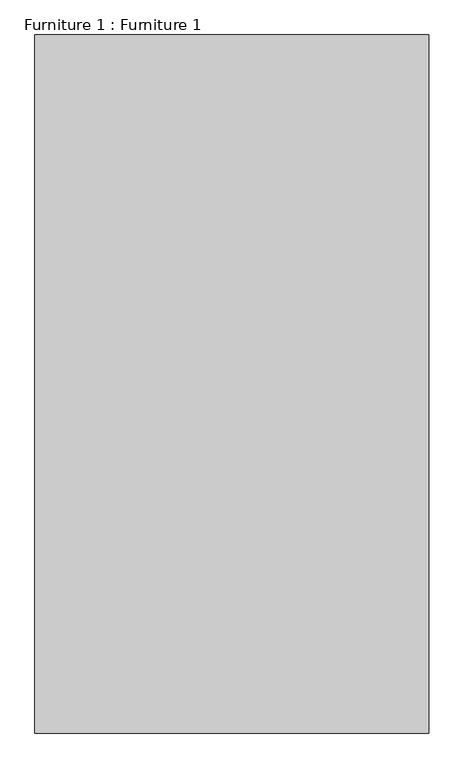
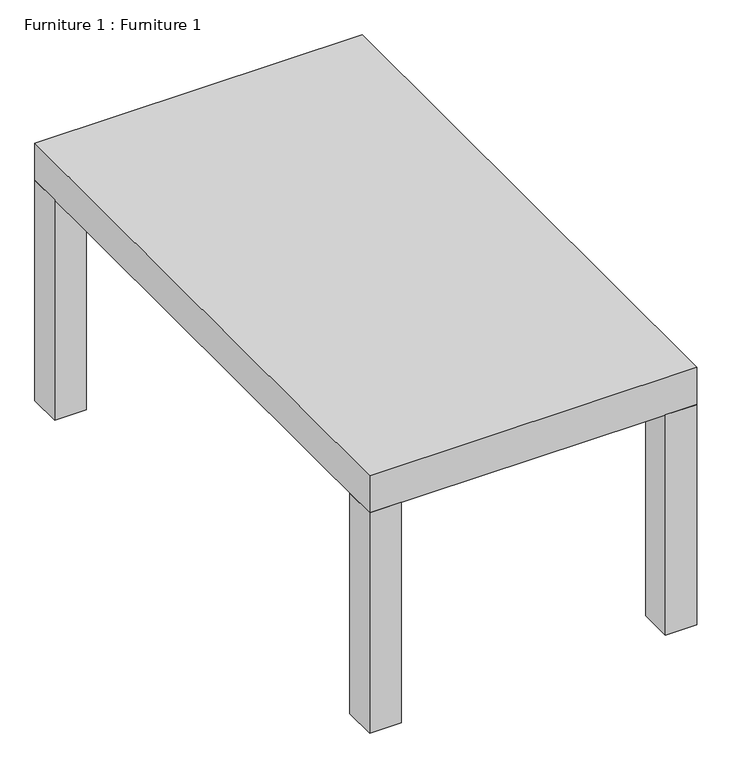
"""IFC4 building model written with IfcOpenShell, lengths in millimetres: furniture geometry, Furniture 1 : Furniture 1."""

from ifc_helpers import new_model, si_unit, frame, origin, origin_with_axes, place, context, project, spatial, polyline, outline, extrude, source, transform, mapped, element, save


def furniture_1_furniture_1_8c528a8e(model_context):
    return source(origin(), model_context, "Body", "SweptSolid", [
        extrude(outline(polyline([(-2892.4653689, -5715.7455574), (-2975.0153689, -5715.7455574), (-2975.0153689, -5626.8455574), (-2892.4653689, -5626.8455574), (-2892.4653689, -5715.7455574)])), origin_with_axes(), (0.0, 0.0, 1.0), 609.0655634),
        extrude(outline(polyline([(-2892.4653689, -4199.3115589), (-2892.4653689, -4288.2115589), (-2975.0153689, -4288.2115589), (-2975.0153689, -4199.3115589), (-2892.4653689, -4199.3115589)])), origin_with_axes(), (0.0, 0.0, 1.0), 609.0655634),
        extrude(outline(polyline([(-2201.8364133, -5715.7455574), (-2201.8364133, -5626.8455574), (-2119.2864133, -5626.8455574), (-2119.2864133, -5715.7455574), (-2201.8364133, -5715.7455574)])), origin_with_axes(), (0.0, 0.0, 1.0), 609.0655634),
        extrude(outline(polyline([(-2201.8364133, -4199.3115589), (-2119.2864133, -4199.3115589), (-2119.2864133, -4288.2115589), (-2201.8364133, -4288.2115589), (-2201.8364133, -4199.3115589)])), origin_with_axes(), (0.0, 0.0, 1.0), 609.0655634),
        extrude(outline(polyline([(-2119.2864133, -5715.7455574), (-2975.0153689, -5715.7455574), (-2975.0153689, -4199.3115589), (-2119.2864133, -4199.3115589), (-2119.2864133, -5715.7455574)])), frame((0.0, 0.0, 609.0655634), z_axis=(0.0, 0.0, 1.0), x_axis=(1.0, 0.0, 0.0)), (0.0, 0.0, 1.0), 102.6175638),
    ])


if __name__ == "__main__":
    model = new_model("IFC4")
    model_context = context("Model", 3, world=origin())
    ifc_project = project(units=[si_unit("LENGTHUNIT", "METRE", prefix="MILLI")], contexts=[model_context])
    site = spatial("IfcSite", under=ifc_project)
    building = spatial("IfcBuilding", under=site)
    placement = place(None, origin())
    furniture_1_furniture_1_shape = furniture_1_furniture_1_8c528a8e(model_context)
    element("IfcFurniture", 1, ObjectType="Furniture 1 : Furniture 1", at=placement, inside=building, context=model_context, shape_type="MappedRepresentation", body=[
        mapped(furniture_1_furniture_1_shape, transform((0.0, 0.0, 0.0), x_axis=(1.0, 0.0, 0.0), y_axis=(0.0, 1.0, 0.0), z_axis=(0.0, 0.0, 1.0))),
    ])
    save(model, "model.ifc")
